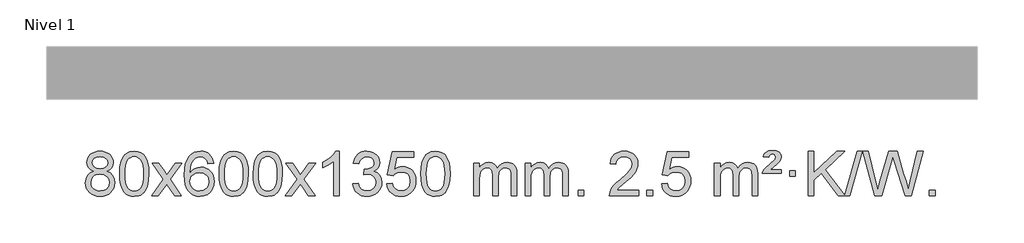
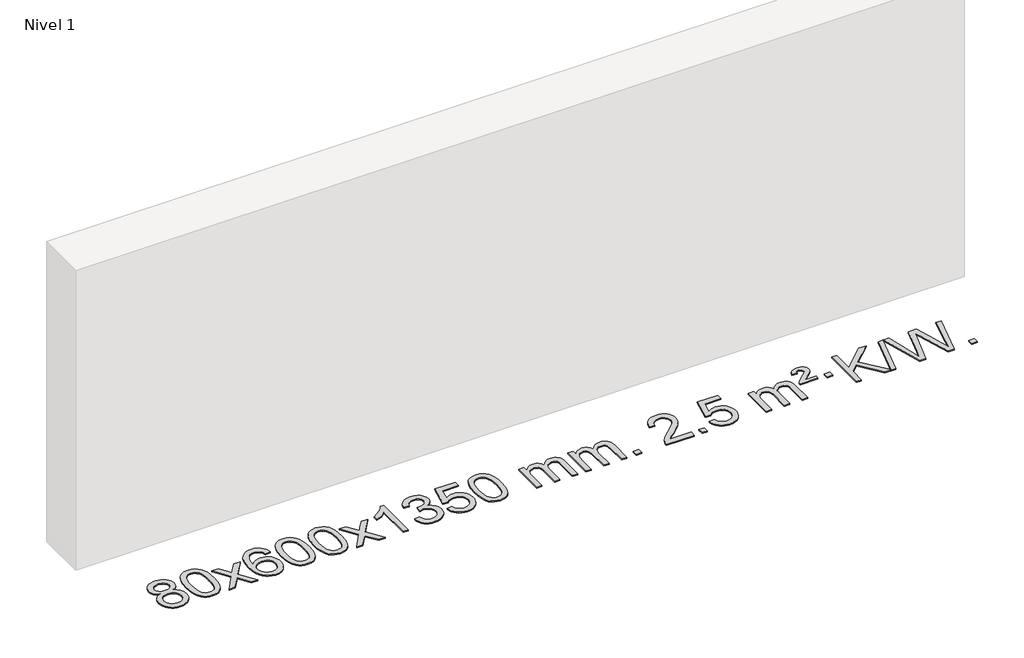
# One storey, part 15 of 15: 1 proxy.
"""IFC4 building model written with IfcOpenShell, lengths in millimetres."""

import ifcopenshell
import ifcopenshell.guid

model = None  # the IFC model being written
_history = None  # IfcOwnerHistory: only IFC2X3 demands one
_inside = {}  # id of a spatial element -> (the spatial element, [elements in it])
_under = {}  # id of a project, library or spatial element -> (it, [spatial elements below it])
_declared = {}  # id of a project -> (the project, [libraries it declares])
_typed = {}  # id of a type object -> (the type object, [elements of that type])
_made_of = {}  # id of a material, layer set ... -> (it, [elements and type objects made of it])


def new_model(schema):
    """Start an empty IFC model of exactly this schema.

    Asked for "IFC4X3", IfcOpenShell would pick the latest addendum, in which some entities
    have other attributes; the version numbers below select the first issue.
    IFC2X3 requires an IfcOwnerHistory on every rooted entity: one is made here for all.
    """
    global model, _history
    if schema == "IFC4X3":
        model = ifcopenshell.file(schema_version=(4, 3, 0, 0))
    else:
        model = ifcopenshell.file(schema=schema)
    _inside.clear()
    _under.clear()
    _declared.clear()
    _typed.clear()
    _made_of.clear()
    _history = None
    if model.schema == "IFC2X3":
        org = make("IfcOrganization", Name="unknown")
        user = make(
            "IfcPersonAndOrganization",
            ThePerson=make("IfcPerson", FamilyName="unknown"),
            TheOrganization=org,
        )
        app = make(
            "IfcApplication",
            ApplicationDeveloper=org,
            Version="unknown",
            ApplicationFullName="unknown",
            ApplicationIdentifier="unknown",
        )
        _history = make(
            "IfcOwnerHistory",
            OwningUser=user,
            OwningApplication=app,
            ChangeAction="ADDED",
            CreationDate=0,
        )
    return model


def make(cls, **values):
    """One entity of the class cls with the attributes given. An attribute that is None is left unset."""
    return model.create_entity(
        cls, **{name: value for name, value in values.items() if value is not None}
    )


def rooted(cls, **values):
    """An entity with a GlobalId (a new one), such as an element, a storey or a relation."""
    return make(cls, GlobalId=ifcopenshell.guid.new(), OwnerHistory=_history, **values)


def si_unit(unit_type, name, prefix=None):
    """IfcSIUnit, for example si_unit("LENGTHUNIT", "METRE", prefix="MILLI")."""
    return make("IfcSIUnit", UnitType=unit_type, Prefix=prefix, Name=name)


def assignment(units):
    """IfcUnitAssignment: the units of a project."""
    return None if units is None else make("IfcUnitAssignment", Units=units)


def point(xyz):
    """IfcCartesianPoint."""
    return None if xyz is None else make("IfcCartesianPoint", Coordinates=xyz)


def direction(xyz):
    """IfcDirection."""
    return None if xyz is None else make("IfcDirection", DirectionRatios=xyz)


def frame(location, z_axis=None, x_axis=None):
    """IfcAxis2Placement3D, a coordinate frame: its origin and axes. An axis left out is left unset."""
    return make(
        "IfcAxis2Placement3D",
        Location=point(location),
        Axis=direction(z_axis),
        RefDirection=direction(x_axis),
    )


def origin():
    """The frame at (0, 0, 0) with its axes left unset."""
    return frame((0.0, 0.0, 0.0))


def origin_with_axes():
    """The frame at (0, 0, 0) with the z axis (0, 0, 1) and the x axis (1, 0, 0) written out."""
    return frame((0.0, 0.0, 0.0), z_axis=(0.0, 0.0, 1.0), x_axis=(1.0, 0.0, 0.0))


def place(relative_to, where):
    """IfcLocalPlacement: puts the frame where relative to a parent placement (None: the world)."""
    return make(
        "IfcLocalPlacement", PlacementRelTo=relative_to, RelativePlacement=where
    )


def context(
    kind, dimensions, precision=None, world=None, true_north=None, identifier=None
):
    """IfcGeometricRepresentationContext, for example the 3D "Model" context."""
    return make(
        "IfcGeometricRepresentationContext",
        ContextIdentifier=identifier,
        ContextType=kind,
        CoordinateSpaceDimension=dimensions,
        Precision=precision,
        WorldCoordinateSystem=world,
        TrueNorth=true_north,
    )


def project(units=None, contexts=None):
    """IfcProject with its units and contexts."""
    return rooted(
        "IfcProject",
        Name="project",
        RepresentationContexts=contexts,
        UnitsInContext=assignment(units),
    )


def spatial(cls, under=None, at=None, **own):
    """A site, building, storey or space (cls), placed at a placement, below another one or the project."""
    s = rooted(cls, ObjectPlacement=at, **own)
    if under is not None:
        _under.setdefault(under.id(), (under, []))[1].append(s)
    return s


def polyline(points):
    """IfcPolyline through the points."""
    return make("IfcPolyline", Points=[point(p) for p in points])


def outline(outer, holes=None, kind="AREA"):
    """IfcArbitraryClosedProfileDef: a profile drawn as a closed curve; with holes, ...WithVoids."""
    if holes is None:
        return make("IfcArbitraryClosedProfileDef", ProfileType=kind, OuterCurve=outer)
    return make(
        "IfcArbitraryProfileDefWithVoids",
        ProfileType=kind,
        OuterCurve=outer,
        InnerCurves=holes,
    )


def extrude(swept, where, along, depth):
    """IfcExtrudedAreaSolid: the profile swept, set in the frame where, extruded along a direction by depth."""
    return make(
        "IfcExtrudedAreaSolid",
        SweptArea=swept,
        Position=where,
        ExtrudedDirection=direction(along),
        Depth=depth,
    )


def shape(context_of_items, identifier, shape_type, items):
    """IfcShapeRepresentation: the items that make up one representation, for example the "Body"."""
    return make(
        "IfcShapeRepresentation",
        ContextOfItems=context_of_items,
        RepresentationIdentifier=identifier,
        RepresentationType=shape_type,
        Items=items,
    )


def made_of(thing, what):
    """Note that an element or type object is made of a material, layer set ...; save() writes the relation."""
    if what is not None:
        _made_of.setdefault(what.id(), (what, []))[1].append(thing)
    return thing


def element(
    cls,
    number,
    at=None,
    inside=None,
    cuts=None,
    type_object=None,
    material=None,
    context=None,
    identifier="Body",
    shape_type=None,
    held_by="IfcProductDefinitionShape",
    body=None,
    shapes=None,
    **own,
):
    """One element of the class cls, such as IfcWall. Its Tag is "e" and its number.

    at: its placement. inside: the storey or other place that contains it. cuts: it is an
    opening in that element (IfcRelVoidsElement). A single representation is given by context,
    identifier, shape_type and body (its items); several are given by shapes. held_by: the class
    of the entity that holds the representations. save() writes the other relations.
    """
    e = rooted(cls, Tag="e%d" % number, ObjectPlacement=at, **own)
    if body is not None:
        shapes = [shape(context, identifier, shape_type, body)]
    if shapes is not None:
        e.Representation = make(held_by, Representations=shapes)
    if inside is not None:
        _inside.setdefault(inside.id(), (inside, []))[1].append(e)
    if cuts is not None:
        rooted(
            "IfcRelVoidsElement", RelatingBuildingElement=cuts, RelatedOpeningElement=e
        )
    if type_object is not None:
        _typed.setdefault(type_object.id(), (type_object, []))[1].append(e)
    return made_of(e, material)


def aggregate(whole, parts):
    """IfcRelAggregates: a whole, such as a stair, and the parts it consists of."""
    return rooted("IfcRelAggregates", RelatingObject=whole, RelatedObjects=parts)


def save(model, path):
    """Write the relations noted so far, then the file.

    IfcRelAggregates (storeys below a building ...), IfcRelContainedInSpatialStructure (elements
    in a storey), IfcRelDefinesByType, IfcRelAssociatesMaterial and IfcRelDeclares: one each for
    every whole, place, type object, material and project.
    """
    for whole, parts in _under.values():
        aggregate(whole, parts)
    for where, things in _inside.values():
        rooted(
            "IfcRelContainedInSpatialStructure",
            RelatedElements=things,
            RelatingStructure=where,
        )
    for kind, things in _typed.values():
        rooted("IfcRelDefinesByType", RelatedObjects=things, RelatingType=kind)
    for what, things in _made_of.values():
        rooted("IfcRelAssociatesMaterial", RelatedObjects=things, RelatingMaterial=what)
    for by, libraries in _declared.values():
        rooted("IfcRelDeclares", RelatingContext=by, RelatedDefinitions=libraries)
    model.write(path)


model = new_model("IFC4")

# Units and contexts
model_context = context("Model", 3, world=origin())
ifc_project = project(units=[si_unit("LENGTHUNIT", "METRE", prefix="MILLI")], contexts=[model_context])

# Site, building, storey
site = spatial("IfcSite", under=ifc_project)
building = spatial("IfcBuilding", under=site)
storey = spatial("IfcBuildingStorey", under=building, Name="Nivel 1", Elevation=0.0)

# Proxy
placement = place(None, origin())
element("IfcBuildingElementProxy", 1, Name="Texto de modelo 1", ObjectType="Texto de modelo 1", at=placement, inside=storey, context=model_context, shape_type="SweptSolid", body=[
    extrude(outline(polyline([(-52.9663894, 2810.7383553), (-79.8585632, 2823.9821071), (-98.7309096, 2841.9347485), (-109.877734, 2864.2283974), (-113.5933422, 2890.4951719), (-111.5699912, 2910.9800676), (-105.4999383, 2929.7604435), (-95.3831834, 2946.8362994), (-81.2197266, 2962.2076355), (-63.6901495, 2974.911827), (-43.4750339, 2983.9862496), (-20.5743797, 2989.4309031), (5.0118131, 2991.2457876), (30.7206332, 2989.3879835), (53.7929656, 2983.8145713), (74.2288105, 2974.5255509), (92.0281677, 2961.5209224), (106.4491419, 2945.8491494), (116.7498378, 2928.5586956), (122.9302553, 2909.6495611), (124.9903944, 2889.1217457), (121.3238372, 2863.7010999), (110.3241656, 2841.7875957), (91.8687521, 2823.9453189), (65.8349696, 2810.7383553), (96.7493199, 2794.8090649), (119.2514353, 2771.3504564), (132.9734337, 2741.4907011), (137.5474332, 2706.3579705), (135.2788276, 2681.3052067), (128.4730107, 2658.3371074), (117.1299825, 2637.4536728), (101.249743, 2618.6549029), (81.6661581, 2603.11802), (59.2130937, 2592.0202464), (33.8905497, 2585.3615823), (5.6985261, 2583.1420276), (-22.4934974, 2585.3707794), (-47.8160414, 2592.0570346), (-70.2691059, 2603.2007934), (-89.8526907, 2618.8020557), (-105.7329302, 2637.73265), (-117.0759584, 2658.864405), (-123.8817753, 2682.1973205), (-126.1503809, 2707.7313967), (-121.3924405, 2744.2252906), (-107.118619, 2774.2444614), (-84.0646807, 2796.7588395), (-52.9663894, 2810.7383553)]), holes=[polyline([(-63.3651871, 2889.0236439), (-58.9138149, 2867.097877), (-45.5596985, 2849.586694), (-23.6952453, 2838.1087757), (6.2871373, 2834.282803), (35.5705441, 2838.0842503), (57.1039036, 2849.4885921), (70.3476554, 2866.4111639), (74.7622394, 2886.767301), (70.2005026, 2907.8959902), (56.5152924, 2925.370385), (34.6876274, 2937.1058206), (5.6985261, 2941.0176325), (-23.4745161, 2937.1916598), (-45.2653929, 2925.7137415), (-58.8402385, 2908.8892716), (-63.3651871, 2889.0236439)]), polyline([(-75.9222259, 2709.4972302), (-73.8252985, 2690.2815274), (-67.5345164, 2671.6789611), (-55.9217081, 2655.4553651), (-37.8587021, 2643.376573), (-16.2272408, 2635.8717803), (6.0909336, 2633.3701827), (40.2794337, 2638.6308952), (54.1731104, 2645.2067859), (65.9330715, 2654.4130328), (81.9727265, 2678.3130998), (87.3192781, 2707.9276004), (81.8010482, 2738.0448731), (65.2463584, 2762.4722375), (53.1675663, 2771.9145421), (39.0041094, 2778.6590453), (4.4232019, 2784.0546479), (-29.2870516, 2778.7326217), (-43.0243784, 2772.080089), (-54.683172, 2762.7665431), (-70.6124624, 2738.8051625), (-75.9222259, 2709.4972302)])]), origin_with_axes(), (0.0, 0.0, 1.0), 10.0),
    extrude(outline(polyline([(181.4970689, 2787.0958057), (185.1881516, 2851.4138412), (196.2613996, 2902.7088541), (214.6064485, 2941.7656593), (226.4645114, 2956.9990395), (240.1129335, 2969.3690716), (255.5976998, 2978.9401349), (272.9647956, 2985.7766086), (313.345976, 2991.2457876), (344.2971145, 2988.008426), (372.0108915, 2978.2963414), (395.1874572, 2962.4896783), (412.5269619, 2940.9685816), (425.6235609, 2913.9169922), (436.0714096, 2881.5188512), (442.9140147, 2840.3773814), (445.194883, 2787.0958057), (441.5405886, 2723.1456523), (430.5777051, 2671.9732667), (412.3430209, 2632.8796734), (400.512549, 2617.6003078), (386.8733241, 2605.1658964), (371.3701637, 2595.5304538), (353.9478855, 2588.6479948), (313.345976, 2583.1420276), (285.6812499, 2585.5332606), (261.1557836, 2592.7069595), (239.7695769, 2604.6631243), (221.52263, 2621.4017551), (204.011447, 2651.6600492), (191.5034592, 2689.3618224), (183.9986665, 2734.5070745), (181.4970689, 2787.0958057)]), holes=[polyline([(231.725224, 2787.1939076), (233.196752, 2743.5293805), (237.6113359, 2708.1851178), (244.9689758, 2681.1611196), (255.2696717, 2662.4573858), (267.7286086, 2649.7317344), (281.5609716, 2640.6419835), (296.7667607, 2635.1881329), (313.345976, 2633.3701827), (329.9251912, 2635.1942643), (345.1309804, 2640.6665089), (358.9633434, 2649.7869167), (371.4222803, 2662.5554876), (381.7229761, 2681.2898783), (389.080616, 2708.3077451), (393.4952, 2743.6090882), (394.966728, 2787.1939076), (393.5442509, 2829.7026722), (389.2768198, 2864.4246011), (382.1644345, 2891.3596945), (372.2070952, 2910.5079524), (359.9566248, 2923.8559375), (345.9648462, 2933.3902125), (330.2317596, 2939.1107775), (312.7573648, 2941.0176325), (296.2639887, 2939.3376381), (281.3157169, 2934.2976548), (267.9125496, 2925.8976825), (256.0544866, 2914.1377214), (245.4104342, 2893.291075), (237.8075396, 2865.1848906), (233.2458029, 2829.8191681), (231.725224, 2787.1939076)])]), origin_with_axes(), (0.0, 0.0, 1.0), 10.0),
    extrude(outline(polyline([(470.3089606, 2589.420547), (577.6324013, 2737.7505675), (476.58748, 2884.5109581), (537.018229, 2884.5109581), (585.7748561, 2813.877615), (608.5344889, 2780.5229808), (628.2529638, 2807.7952993), (683.7786196, 2884.5109581), (744.2093687, 2884.5109581), (638.0631504, 2737.7505675), (740.2852941, 2589.420547), (679.854545, 2589.420547), (618.3446754, 2678.5951426), (607.0629609, 2694.8800523), (530.7397097, 2589.420547), (470.3089606, 2589.420547)])), origin_with_axes(), (0.0, 0.0, 1.0), 10.0),
    extrude(outline(polyline([(1029.0971858, 2884.5109581), (978.8690307, 2878.2324387), (970.7756268, 2903.125787), (959.8372688, 2920.1219352), (937.0531106, 2935.7937082), (909.5110119, 2941.0176325), (886.1627679, 2937.9764747), (864.1879501, 2928.8530012), (845.3156037, 2909.6372983), (829.9013481, 2883.1865829), (819.4902877, 2845.772984), (815.6275267, 2793.6686307), (835.7751973, 2817.1762902), (859.9205189, 2833.7432427), (886.7145909, 2843.565692), (914.8085126, 2846.8398418), (938.9415715, 2844.601893), (961.2106949, 2837.8880466), (981.6158829, 2826.6983025), (1000.1571355, 2811.0326609), (1015.5652597, 2791.8230894), (1026.5710628, 2770.0015557), (1033.1745446, 2745.5680599), (1035.3757052, 2718.5226018), (1031.2309014, 2682.5560055), (1018.7964899, 2649.213634), (999.1025404, 2620.9357713), (973.1791225, 2600.1627013), (942.2034585, 2587.397196), (907.3527709, 2583.1420276), (877.4102421, 2585.9624563), (850.3678498, 2594.4237421), (826.2255939, 2608.5258853), (804.9834743, 2628.2688857), (787.6654294, 2654.4866092), (775.2953973, 2688.0129217), (767.8733781, 2728.8478232), (765.3993716, 2776.9913136), (768.1462239, 2830.9657337), (776.3867806, 2877.0306908), (790.1210417, 2915.1861851), (809.3490073, 2945.4322165), (830.1895224, 2965.4756538), (854.3532381, 2979.7923948), (881.8401545, 2988.3824394), (912.6502716, 2991.2457876), (935.7839177, 2989.4738227), (956.7225346, 2984.1579278), (975.4661223, 2975.2981031), (992.0146807, 2962.8943485), (1005.9206201, 2947.3635969), (1016.7363508, 2929.1227814), (1024.4618726, 2908.1719017), (1029.0971858, 2884.5109581)]), holes=[polyline([(815.6275267, 2719.3074168), (818.5337945, 2697.0505561), (827.2525978, 2675.7992395), (840.7906552, 2657.527767), (858.1546854, 2644.2104388), (879.1116964, 2636.0802467), (903.4286962, 2633.3701827), (936.574864, 2638.9865145), (950.4900005, 2646.0069292), (962.633172, 2655.8355099), (972.4832124, 2668.0737176), (979.5189556, 2682.3230135), (985.1475501, 2716.8548701), (979.592532, 2750.0010379), (972.6487593, 2763.6218688), (962.9274776, 2775.274531), (950.7475179, 2784.6095366), (936.4277112, 2791.2773978), (901.3685571, 2796.6116867), (868.2714402, 2791.2773978), (840.5944515, 2775.274531), (829.6714219, 2763.7751529), (821.8692579, 2750.6141746), (817.1879595, 2735.7915958), (815.6275267, 2719.3074168)])]), origin_with_axes(), (0.0, 0.0, 1.0), 10.0),
    extrude(outline(polyline([(1079.3253409, 2787.0958057), (1083.0164235, 2851.4138412), (1094.0896716, 2902.7088541), (1112.4347204, 2941.7656593), (1124.2927834, 2956.9990395), (1137.9412054, 2969.3690716), (1153.4259717, 2978.9401349), (1170.7930676, 2985.7766086), (1211.1742479, 2991.2457876), (1242.1253865, 2988.008426), (1269.8391634, 2978.2963414), (1293.0157291, 2962.4896783), (1310.3552338, 2940.9685816), (1323.4518329, 2913.9169922), (1333.8996815, 2881.5188512), (1340.7422866, 2840.3773814), (1343.023155, 2787.0958057), (1339.3688605, 2723.1456523), (1328.4059771, 2671.9732667), (1310.1712928, 2632.8796734), (1298.340821, 2617.6003078), (1284.701596, 2605.1658964), (1269.1984356, 2595.5304538), (1251.7761575, 2588.6479948), (1211.1742479, 2583.1420276), (1183.5095219, 2585.5332606), (1158.9840556, 2592.7069595), (1137.5978489, 2604.6631243), (1119.3509019, 2621.4017551), (1101.839719, 2651.6600492), (1089.3317311, 2689.3618224), (1081.8269384, 2734.5070745), (1079.3253409, 2787.0958057)]), holes=[polyline([(1129.5534959, 2787.1939076), (1131.0250239, 2743.5293805), (1135.4396079, 2708.1851178), (1142.7972478, 2681.1611196), (1153.0979436, 2662.4573858), (1165.5568805, 2649.7317344), (1179.3892436, 2640.6419835), (1194.5950327, 2635.1881329), (1211.1742479, 2633.3701827), (1227.7534632, 2635.1942643), (1242.9592523, 2640.6665089), (1256.7916153, 2649.7869167), (1269.2505522, 2662.5554876), (1279.5512481, 2681.2898783), (1286.908888, 2708.3077451), (1291.323472, 2743.6090882), (1292.7949999, 2787.1939076), (1291.3725229, 2829.7026722), (1287.1050917, 2864.4246011), (1279.9927065, 2891.3596945), (1270.0353672, 2910.5079524), (1257.7848967, 2923.8559375), (1243.7931182, 2933.3902125), (1228.0600315, 2939.1107775), (1210.5856367, 2941.0176325), (1194.0922606, 2939.3376381), (1179.1439889, 2934.2976548), (1165.7408215, 2925.8976825), (1153.8827586, 2914.1377214), (1143.2387062, 2893.291075), (1135.6358116, 2865.1848906), (1131.0740749, 2829.8191681), (1129.5534959, 2787.1939076)])]), origin_with_axes(), (0.0, 0.0, 1.0), 10.0),
    extrude(outline(polyline([(1386.9727907, 2787.0958057), (1390.6638734, 2851.4138412), (1401.7371214, 2902.7088541), (1420.0821703, 2941.7656593), (1431.9402332, 2956.9990395), (1445.5886553, 2969.3690716), (1461.0734216, 2978.9401349), (1478.4405174, 2985.7766086), (1518.8216978, 2991.2457876), (1549.7728363, 2988.008426), (1577.4866133, 2978.2963414), (1600.663179, 2962.4896783), (1618.0026837, 2940.9685816), (1631.0992827, 2913.9169922), (1641.5471314, 2881.5188512), (1648.3897365, 2840.3773814), (1650.6706048, 2787.0958057), (1647.0163104, 2723.1456523), (1636.0534269, 2671.9732667), (1617.8187427, 2632.8796734), (1605.9882708, 2617.6003078), (1592.3490459, 2605.1658964), (1576.8458855, 2595.5304538), (1559.4236073, 2588.6479948), (1518.8216978, 2583.1420276), (1491.1569717, 2585.5332606), (1466.6315054, 2592.7069595), (1445.2452987, 2604.6631243), (1426.9983518, 2621.4017551), (1409.4871688, 2651.6600492), (1396.979181, 2689.3618224), (1389.4743883, 2734.5070745), (1386.9727907, 2787.0958057)]), holes=[polyline([(1437.2009458, 2787.1939076), (1438.6724738, 2743.5293805), (1443.0870577, 2708.1851178), (1450.4446976, 2681.1611196), (1460.7453935, 2662.4573858), (1473.2043304, 2649.7317344), (1487.0366934, 2640.6419835), (1502.2424825, 2635.1881329), (1518.8216978, 2633.3701827), (1535.400913, 2635.1942643), (1550.6067022, 2640.6665089), (1564.4390652, 2649.7869167), (1576.8980021, 2662.5554876), (1587.1986979, 2681.2898783), (1594.5563378, 2708.3077451), (1598.9709218, 2743.6090882), (1600.4424498, 2787.1939076), (1599.0199727, 2829.7026722), (1594.7525416, 2864.4246011), (1587.6401563, 2891.3596945), (1577.682817, 2910.5079524), (1565.4323466, 2923.8559375), (1551.440568, 2933.3902125), (1535.7074813, 2939.1107775), (1518.2330866, 2941.0176325), (1501.7397105, 2939.3376381), (1486.7914387, 2934.2976548), (1473.3882714, 2925.8976825), (1461.5302084, 2914.1377214), (1450.886156, 2893.291075), (1443.2832614, 2865.1848906), (1438.7215247, 2829.8191681), (1437.2009458, 2787.1939076)])]), origin_with_axes(), (0.0, 0.0, 1.0), 10.0),
    extrude(outline(polyline([(1675.7846824, 2589.420547), (1783.1081231, 2737.7505675), (1682.0632018, 2884.5109581), (1742.4939508, 2884.5109581), (1791.2505779, 2813.877615), (1814.0102107, 2780.5229808), (1833.7286856, 2807.7952993), (1889.2543414, 2884.5109581), (1949.6850905, 2884.5109581), (1843.5388722, 2737.7505675), (1945.7610159, 2589.420547), (1885.3302668, 2589.420547), (1823.8203972, 2678.5951426), (1812.5386827, 2694.8800523), (1736.2154315, 2589.420547), (1675.7846824, 2589.420547)])), origin_with_axes(), (0.0, 0.0, 1.0), 10.0),
    extrude(outline(polyline([(2165.5091944, 2589.420547), (2115.2810393, 2589.420547), (2115.2810393, 2902.5617013), (2094.3117656, 2885.6023413), (2067.7016346, 2868.6675068), (2014.8247291, 2843.3081746), (2014.8247291, 2890.7894775), (2054.2739417, 2912.2492605), (2088.4501791, 2937.780271), (2115.3914039, 2964.9299622), (2133.1355788, 2991.2457876), (2165.5091944, 2991.2457876), (2165.5091944, 2589.420547)])), origin_with_axes(), (0.0, 0.0, 1.0), 10.0),
    extrude(outline(polyline([(2284.8010627, 2696.1553765), (2335.0292177, 2702.4338959), (2346.2741441, 2670.8696207), (2362.7429947, 2649.5569905), (2385.2451101, 2637.4168846), (2414.5898306, 2633.3701827), (2449.0235853, 2638.9374636), (2463.2974067, 2645.8965646), (2475.6091908, 2655.6393061), (2492.605339, 2680.5571799), (2498.2707217, 2710.7725545), (2492.6543899, 2739.4550874), (2475.8053946, 2762.7174922), (2450.2989096, 2778.1317478), (2418.7101089, 2783.269833), (2383.4915392, 2777.7761285), (2389.0833456, 2828.0042836), (2397.1276985, 2827.4156724), (2427.2204457, 2831.020916), (2454.1248823, 2841.8366466), (2465.1981304, 2850.0158897), (2473.1075933, 2860.1326445), (2477.853271, 2872.1869112), (2479.4351636, 2886.1786898), (2474.8489014, 2907.8714648), (2461.0901147, 2925.4684869), (2440.0963156, 2937.1303461), (2413.8050156, 2941.0176325), (2387.4646648, 2937.0935579), (2365.9313053, 2925.3213341), (2350.2104814, 2905.700961), (2341.3077371, 2878.2324387), (2291.079582, 2884.5109581), (2297.033139, 2908.4907328), (2305.8684382, 2929.6132907), (2317.5854798, 2947.8786317), (2332.1842636, 2963.286756), (2349.2049373, 2975.5188323), (2368.1876482, 2984.2560297), (2389.1323965, 2989.4983481), (2412.0391821, 2991.2457876), (2443.61572, 2987.7999596), (2472.6170839, 2977.4624755), (2497.0689739, 2961.1530404), (2514.9970898, 2939.7913592), (2525.9967614, 2915.1800537), (2529.6633186, 2889.1217457), (2526.1807024, 2864.8415341), (2515.7328538, 2842.8176653), (2498.4669255, 2824.0556835), (2474.5300703, 2809.5611329), (2505.9717182, 2796.8569414), (2529.2709112, 2775.22548), (2543.6918854, 2745.8439714), (2548.4988768, 2709.8896377), (2546.0953811, 2684.4076782), (2538.884894, 2660.9368069), (2526.8674155, 2639.4770238), (2510.0429456, 2620.028329), (2489.5457871, 2603.8905722), (2466.5102428, 2592.363603), (2440.9363128, 2585.4474215), (2412.823997, 2583.1420276), (2387.4156138, 2585.1101963), (2364.2635736, 2591.0147023), (2343.3678763, 2600.8555457), (2324.7285219, 2614.6327264), (2309.0996684, 2631.5369041), (2297.2354741, 2650.7587383), (2289.1359388, 2672.2982292), (2284.8010627, 2696.1553765)])), origin_with_axes(), (0.0, 0.0, 1.0), 10.0),
    extrude(outline(polyline([(2592.4485125, 2696.1553765), (2642.6766676, 2702.4338959), (2651.8982429, 2672.2798351), (2667.9869488, 2650.6851619), (2690.8692089, 2637.6989275), (2720.4714468, 2633.3701827), (2739.6013106, 2634.8754332), (2756.4748314, 2639.3911847), (2771.0920093, 2646.9174372), (2783.4528444, 2657.4541906), (2793.281425, 2670.480279), (2800.3018398, 2685.4745359), (2805.9181716, 2721.3675559), (2800.657459, 2755.1636486), (2794.0815684, 2769.0818507), (2784.8753214, 2781.0134901), (2773.0080614, 2790.5845533), (2758.4491314, 2797.4210271), (2721.2562617, 2802.8902061), (2696.8902109, 2800.7074396), (2677.1594732, 2794.1591401), (2661.4018611, 2784.1282243), (2648.955187, 2771.4976092), (2598.7270319, 2777.7761285), (2642.6766676, 2984.9672682), (2837.3107685, 2984.9672682), (2837.3107685, 2934.7391131), (2683.2908398, 2934.7391131), (2661.8065313, 2824.080209), (2679.5323121, 2836.7844006), (2697.6872886, 2845.8588231), (2716.2714607, 2851.3034766), (2735.2848285, 2853.1183612), (2759.7459155, 2850.8681496), (2782.2143083, 2844.117515), (2802.6900071, 2832.8664573), (2821.1730116, 2817.1149766), (2836.4738369, 2797.8256973), (2847.4029979, 2775.961244), (2853.9604944, 2751.5216168), (2856.1463266, 2724.5068156), (2854.178158, 2698.4852958), (2848.2736519, 2674.2786606), (2838.4328086, 2651.8869098), (2824.6556278, 2631.3100435), (2803.784456, 2610.2365366), (2779.4306679, 2595.1840316), (2751.5942636, 2586.1525286), (2720.2752431, 2583.1420276), (2694.3548908, 2585.0764738), (2670.9422675, 2590.8798123), (2650.0373732, 2600.552043), (2631.6402077, 2614.0931662), (2616.333251, 2630.8287312), (2604.6989829, 2650.084288), (2596.7374034, 2671.8598364), (2592.4485125, 2696.1553765)])), origin_with_axes(), (0.0, 0.0, 1.0), 10.0),
    extrude(outline(polyline([(2900.0959623, 2787.0958057), (2903.787045, 2851.4138412), (2914.8602931, 2902.7088541), (2933.2053419, 2941.7656593), (2945.0634049, 2956.9990395), (2958.7118269, 2969.3690716), (2974.1965932, 2978.9401349), (2991.5636891, 2985.7766086), (3031.9448694, 2991.2457876), (3062.8960079, 2988.008426), (3090.6097849, 2978.2963414), (3113.7863506, 2962.4896783), (3131.1258553, 2940.9685816), (3144.2224543, 2913.9169922), (3154.670303, 2881.5188512), (3161.5129081, 2840.3773814), (3163.7937765, 2787.0958057), (3160.139482, 2723.1456523), (3149.1765985, 2671.9732667), (3130.9419143, 2632.8796734), (3119.1114425, 2617.6003078), (3105.4722175, 2605.1658964), (3089.9690571, 2595.5304538), (3072.5467789, 2588.6479948), (3031.9448694, 2583.1420276), (3004.2801434, 2585.5332606), (2979.754677, 2592.7069595), (2958.3684704, 2604.6631243), (2940.1215234, 2621.4017551), (2922.6103404, 2651.6600492), (2910.1023526, 2689.3618224), (2902.5975599, 2734.5070745), (2900.0959623, 2787.0958057)]), holes=[polyline([(2950.3241174, 2787.1939076), (2951.7956454, 2743.5293805), (2956.2102293, 2708.1851178), (2963.5678692, 2681.1611196), (2973.8685651, 2662.4573858), (2986.327502, 2649.7317344), (3000.159865, 2640.6419835), (3015.3656541, 2635.1881329), (3031.9448694, 2633.3701827), (3048.5240846, 2635.1942643), (3063.7298738, 2640.6665089), (3077.5622368, 2649.7869167), (3090.0211737, 2662.5554876), (3100.3218696, 2681.2898783), (3107.6795095, 2708.3077451), (3112.0940934, 2743.6090882), (3113.5656214, 2787.1939076), (3112.1431443, 2829.7026722), (3107.8757132, 2864.4246011), (3100.763328, 2891.3596945), (3090.8059886, 2910.5079524), (3078.5555182, 2923.8559375), (3064.5637396, 2933.3902125), (3048.830653, 2939.1107775), (3031.3562582, 2941.0176325), (3014.8628821, 2939.3376381), (2999.9146103, 2934.2976548), (2986.511443, 2925.8976825), (2974.65338, 2914.1377214), (2964.0093276, 2893.291075), (2956.4064331, 2865.1848906), (2951.8446963, 2829.8191681), (2950.3241174, 2787.1939076)])]), origin_with_axes(), (0.0, 0.0, 1.0), 10.0),
    extrude(outline(polyline([(3377.2634355, 2589.420547), (3377.2634355, 2884.5109581), (3427.4915906, 2884.5109581), (3427.4915906, 2835.9505347), (3442.5992779, 2858.2564463), (3462.0234472, 2875.7308411), (3485.1019111, 2887.0248184), (3511.1724818, 2890.7894775), (3539.1069879, 2886.951242), (3561.4987387, 2875.4365355), (3578.2251068, 2857.0056476), (3589.1634648, 2832.4188676), (3607.4717254, 2857.9560094), (3628.35516, 2876.196825), (3651.8137685, 2887.1413143), (3677.8475511, 2890.7894775), (3697.9553678, 2889.2719642), (3715.6045065, 2884.7194245), (3730.7949672, 2877.1318584), (3743.5267499, 2866.5092658), (3753.5913882, 2852.7290194), (3760.7804155, 2835.6684918), (3765.0938319, 2815.3276832), (3766.5316374, 2791.7065934), (3766.5316374, 2589.420547), (3716.3034823, 2589.420547), (3716.3034823, 2770.124183), (3715.1385226, 2795.1769469), (3711.6436437, 2812.0627305), (3705.0953442, 2823.6264879), (3694.7701228, 2832.7131732), (3681.4895828, 2838.5992851), (3666.0753272, 2840.5613224), (3638.8643223, 2835.5336018), (3616.681038, 2820.45044), (3608.075665, 2808.8805512), (3601.92897, 2794.2817674), (3597.011614, 2755.9975144), (3597.011614, 2589.420547), (3546.7834589, 2589.420547), (3546.7834589, 2775.7159894), (3543.8771912, 2804.1164794), (3535.1583879, 2824.3745146), (3519.8177087, 2836.5146204), (3497.0458132, 2840.5613224), (3477.6952202, 2837.8635211), (3459.8652062, 2829.7701172), (3445.1499264, 2816.4773144), (3435.1435361, 2798.1813165), (3429.404577, 2772.7974589), (3427.4915906, 2738.2410768), (3427.4915906, 2589.420547), (3377.2634355, 2589.420547)])), origin_with_axes(), (0.0, 0.0, 1.0), 10.0),
    extrude(outline(polyline([(3841.87387, 2589.420547), (3841.87387, 2884.5109581), (3892.1020251, 2884.5109581), (3892.1020251, 2835.9505347), (3907.2097123, 2858.2564463), (3926.6338817, 2875.7308411), (3949.7123455, 2887.0248184), (3975.7829162, 2890.7894775), (4003.7174224, 2886.951242), (4026.1091732, 2875.4365355), (4042.8355412, 2857.0056476), (4053.7738992, 2832.4188676), (4072.0821598, 2857.9560094), (4092.9655944, 2876.196825), (4116.424203, 2887.1413143), (4142.4579855, 2890.7894775), (4162.5658022, 2889.2719642), (4180.2149409, 2884.7194245), (4195.4054017, 2877.1318584), (4208.1371844, 2866.5092658), (4218.2018226, 2852.7290194), (4225.3908499, 2835.6684918), (4229.7042663, 2815.3276832), (4231.1420718, 2791.7065934), (4231.1420718, 2589.420547), (4180.9139167, 2589.420547), (4180.9139167, 2770.124183), (4179.7489571, 2795.1769469), (4176.2540781, 2812.0627305), (4169.7057786, 2823.6264879), (4159.3805573, 2832.7131732), (4146.1000173, 2838.5992851), (4130.6857617, 2840.5613224), (4103.4747567, 2835.5336018), (4081.2914724, 2820.45044), (4072.6860994, 2808.8805512), (4066.5394044, 2794.2817674), (4061.6220484, 2755.9975144), (4061.6220484, 2589.420547), (4011.3938934, 2589.420547), (4011.3938934, 2775.7159894), (4008.4876256, 2804.1164794), (3999.7688223, 2824.3745146), (3984.4281431, 2836.5146204), (3961.6562476, 2840.5613224), (3942.3056547, 2837.8635211), (3924.4756406, 2829.7701172), (3909.7603608, 2816.4773144), (3899.7539706, 2798.1813165), (3894.0150114, 2772.7974589), (3892.1020251, 2738.2410768), (3892.1020251, 2589.420547), (3841.87387, 2589.420547)])), origin_with_axes(), (0.0, 0.0, 1.0), 10.0),
    extrude(outline(polyline([(4319.0413432, 2589.420547), (4319.0413432, 2639.6487021), (4369.2694983, 2639.6487021), (4369.2694983, 2589.420547), (4319.0413432, 2589.420547)])), origin_with_axes(), (0.0, 0.0, 1.0), 10.0),
    extrude(outline(polyline([(4865.2725296, 2639.6487021), (4865.2725296, 2589.420547), (4601.5747155, 2589.420547), (4602.6783615, 2607.1034082), (4606.9703181, 2624.0505055), (4619.3556786, 2651.1143576), (4637.4799982, 2677.3688693), (4663.6977217, 2704.8496544), (4700.3632939, 2735.5923264), (4754.5645745, 2783.7358169), (4787.0853429, 2819.2732176), (4803.3457271, 2848.115166), (4808.7658552, 2876.1722995), (4803.6522954, 2901.3231653), (4788.3116162, 2922.2311253), (4764.7303803, 2936.3210057), (4734.8951505, 2941.0176325), (4703.5638673, 2936.4313703), (4679.2223419, 2922.6725837), (4663.5137807, 2900.8203932), (4658.0813899, 2871.9539193), (4607.8532349, 2878.2324387), (4612.1727826, 2904.161988), (4620.0301289, 2926.8173875), (4631.4252737, 2946.1986373), (4646.358217, 2962.3057373), (4664.4856023, 2974.9670093), (4685.4640731, 2984.010775), (4709.2936294, 2989.4370345), (4735.9742711, 2991.2457876), (4762.8940361, 2989.2346994), (4786.852351, 2983.2014346), (4807.8492159, 2973.1459934), (4825.8846307, 2959.0683758), (4840.3699842, 2942.0109139), (4850.7166654, 2923.0159402), (4856.924674, 2902.0834547), (4858.9940102, 2879.2134573), (4856.7621928, 2855.1907631), (4850.0667405, 2831.5850017), (4838.184152, 2807.5745701), (4820.3909262, 2782.3378653), (4792.0272244, 2752.2083299), (4748.433208, 2713.5194067), (4690.6512092, 2665.204238), (4667.9896783, 2639.6487021), (4865.2725296, 2639.6487021)])), origin_with_axes(), (0.0, 0.0, 1.0), 10.0),
    extrude(outline(polyline([(4940.6147622, 2589.420547), (4940.6147622, 2639.6487021), (4990.8429173, 2639.6487021), (4990.8429173, 2589.420547), (4940.6147622, 2589.420547)])), origin_with_axes(), (0.0, 0.0, 1.0), 10.0),
    extrude(outline(polyline([(5072.4636693, 2696.1553765), (5122.6918244, 2702.4338959), (5131.9133997, 2672.2798351), (5148.0021057, 2650.6851619), (5170.8843658, 2637.6989275), (5200.4866036, 2633.3701827), (5219.6164674, 2634.8754332), (5236.4899882, 2639.3911847), (5251.1071662, 2646.9174372), (5263.4680012, 2657.4541906), (5273.2965818, 2670.480279), (5280.3169966, 2685.4745359), (5285.9333284, 2721.3675559), (5280.6726158, 2755.1636486), (5274.0967252, 2769.0818507), (5264.8904783, 2781.0134901), (5253.0232182, 2790.5845533), (5238.4642883, 2797.4210271), (5201.2714186, 2802.8902061), (5176.9053677, 2800.7074396), (5157.1746301, 2794.1591401), (5141.4170179, 2784.1282243), (5128.9703438, 2771.4976092), (5078.7421887, 2777.7761285), (5122.6918244, 2984.9672682), (5317.3259253, 2984.9672682), (5317.3259253, 2934.7391131), (5163.3059967, 2934.7391131), (5141.8216881, 2824.080209), (5159.5474689, 2836.7844006), (5177.7024454, 2845.8588231), (5196.2866175, 2851.3034766), (5215.2999853, 2853.1183612), (5239.7610723, 2850.8681496), (5262.2294652, 2844.117515), (5282.7051639, 2832.8664573), (5301.1881684, 2817.1149766), (5316.4889938, 2797.8256973), (5327.4181547, 2775.961244), (5333.9756513, 2751.5216168), (5336.1614835, 2724.5068156), (5334.1933148, 2698.4852958), (5328.2888088, 2674.2786606), (5318.4479654, 2651.8869098), (5304.6707847, 2631.3100435), (5283.7996128, 2610.2365366), (5259.4458247, 2595.1840316), (5231.6094204, 2586.1525286), (5200.2903999, 2583.1420276), (5174.3700477, 2585.0764738), (5150.9574243, 2590.8798123), (5130.05253, 2600.552043), (5111.6553645, 2614.0931662), (5096.3484078, 2630.8287312), (5084.7141397, 2650.084288), (5076.7525602, 2671.8598364), (5072.4636693, 2696.1553765)])), origin_with_axes(), (0.0, 0.0, 1.0), 10.0),
    extrude(outline(polyline([(5549.6311425, 2589.420547), (5549.6311425, 2884.5109581), (5599.8592976, 2884.5109581), (5599.8592976, 2835.9505347), (5614.9669849, 2858.2564463), (5634.3911542, 2875.7308411), (5657.469618, 2887.0248184), (5683.5401888, 2890.7894775), (5711.4746949, 2886.951242), (5733.8664457, 2875.4365355), (5750.5928138, 2857.0056476), (5761.5311717, 2832.4188676), (5779.8394324, 2857.9560094), (5800.722867, 2876.196825), (5824.1814755, 2887.1413143), (5850.215258, 2890.7894775), (5870.3230748, 2889.2719642), (5887.9722135, 2884.7194245), (5903.1626742, 2877.1318584), (5915.8944569, 2866.5092658), (5925.9590952, 2852.7290194), (5933.1481225, 2835.6684918), (5937.4615389, 2815.3276832), (5938.8993444, 2791.7065934), (5938.8993444, 2589.420547), (5888.6711893, 2589.420547), (5888.6711893, 2770.124183), (5887.5062296, 2795.1769469), (5884.0113507, 2812.0627305), (5877.4630512, 2823.6264879), (5867.1378298, 2832.7131732), (5853.8572898, 2838.5992851), (5838.4430342, 2840.5613224), (5811.2320293, 2835.5336018), (5789.048745, 2820.45044), (5780.443372, 2808.8805512), (5774.296677, 2794.2817674), (5769.379321, 2755.9975144), (5769.379321, 2589.420547), (5719.1511659, 2589.420547), (5719.1511659, 2775.7159894), (5716.2448981, 2804.1164794), (5707.5260949, 2824.3745146), (5692.1854157, 2836.5146204), (5669.4135202, 2840.5613224), (5650.0629272, 2837.8635211), (5632.2329132, 2829.7701172), (5617.5176334, 2816.4773144), (5607.5112431, 2798.1813165), (5601.772284, 2772.7974589), (5599.8592976, 2738.2410768), (5599.8592976, 2589.420547), (5549.6311425, 2589.420547)])), origin_with_axes(), (0.0, 0.0, 1.0), 10.0),
    extrude(outline(polyline([(5982.84898, 2790.3331673), (5986.6749528, 2806.1520931), (5995.0136113, 2822.0200698), (6016.5224453, 2847.1586728), (6048.479128, 2874.8969753), (6092.6249674, 2912.273786), (6099.7618781, 2923.8007552), (6102.1408483, 2935.6220299), (6100.2523874, 2947.7130848), (6094.5870047, 2957.4987459), (6085.2182766, 2963.973469), (6072.2197794, 2966.1317101), (6059.785368, 2964.5130293), (6050.9316746, 2959.656987), (6044.5060024, 2950.1901569), (6039.3556545, 2934.7391131), (5989.1274994, 2941.0176325), (5999.9677556, 2966.2298119), (6016.5960217, 2983.7900458), (6040.3611986, 2994.0907417), (6072.6121869, 2997.524307), (6108.3948423, 2993.3917659), (6133.1410378, 2980.9941427), (6147.562012, 2962.6613566), (6152.3690034, 2940.7233269), (6148.2732505, 2917.8165414), (6135.9859919, 2896.1850801), (6115.4581766, 2876.3685032), (6078.9888081, 2848.3113697), (6053.3842212, 2821.7257642), (6152.3690034, 2821.7257642), (6152.3690034, 2790.3331673), (5982.84898, 2790.3331673)])), origin_with_axes(), (0.0, 0.0, 1.0), 10.0),
    extrude(outline(polyline([(6227.711236, 2765.2190898), (6227.711236, 2815.4472448), (6277.9393911, 2815.4472448), (6277.9393911, 2765.2190898), (6227.711236, 2765.2190898)])), origin_with_axes(), (0.0, 0.0, 1.0), 10.0),
    extrude(outline(polyline([(6668.5810191, 2589.420547), (6515.1497016, 2792.0990009), (6447.4594145, 2727.5479735), (6447.4594145, 2589.420547), (6397.2312594, 2589.420547), (6397.2312594, 2991.2457876), (6447.4594145, 2991.2457876), (6447.4594145, 2794.5515475), (6653.4733318, 2991.2457876), (6723.7142674, 2991.2457876), (6550.7606787, 2826.0422463), (6725.4142886, 2595.4650668), (6836.7276163, 2991.2457876), (6882.0506781, 2991.2457876), (6769.0373292, 2589.420547), (6729.9927868, 2589.420547), (6723.7142674, 2589.420547), (6668.5810191, 2589.420547)])), origin_with_axes(), (0.0, 0.0, 1.0), 10.0),
    extrude(outline(polyline([(6996.535555, 2589.420547), (6886.9557714, 2991.2457876), (6938.7535563, 2991.2457876), (7002.3235651, 2727.155566), (7021.9439382, 2645.6329159), (7042.9377373, 2717.7377869), (7122.596452, 2991.2457876), (7197.2519716, 2991.2457876), (7255.1320722, 2792.9819177), (7279.9273186, 2719.4055186), (7298.1987911, 2645.6329159), (7317.2305529, 2724.8011212), (7381.3891729, 2991.2457876), (7433.1869578, 2991.2457876), (7323.5090723, 2589.420547), (7269.847352, 2589.420547), (7173.5113202, 2899.4224416), (7160.0713646, 2942.6853642), (7144.9636773, 2890.5932737), (7057.1625078, 2589.420547), (6996.535555, 2589.420547)])), origin_with_axes(), (0.0, 0.0, 1.0), 10.0),
    extrude(outline(polyline([(7489.6936323, 2589.420547), (7489.6936323, 2639.6487021), (7539.9217874, 2639.6487021), (7539.9217874, 2589.420547), (7489.6936323, 2589.420547)])), origin_with_axes(), (0.0, 0.0, 1.0), 10.0),
])

save(model, "model.ifc")
